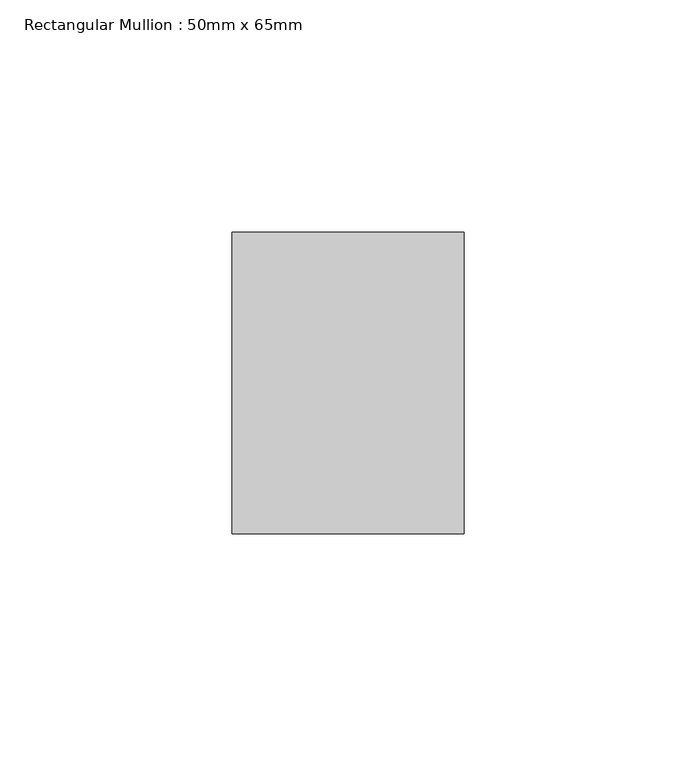
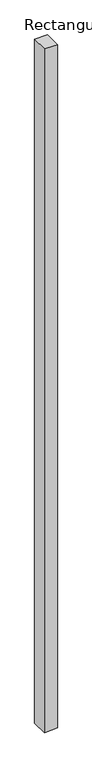
"""IFC4 building model written with IfcOpenShell, lengths in millimetres: member geometry, Rectangular Mullion : 50mm x 65mm."""

from ifc_helpers import new_model, si_unit, origin, place, context, project, spatial, faceted_brep, source, transform, mapped, element, save


def rectangular_mullion_50mm_x_65mm_f10df7cc(model_context):
    return source(origin(), model_context, "Body", "Brep", [
        faceted_brep([(25.0, 32.5, 0.0), (-25.0, 32.5, 0.0), (-25.0, -32.5, 0.0), (25.0, -32.5, 0.0), (25.0, 32.5, -2798.6397776), (-25.0, 32.5, -2800.986539), (-25.0, -32.5, -2799.1407894), (25.0, -32.5, -2796.794028)], [[[0, 1, 2, 3]], [[1, 0, 4, 5]], [[2, 1, 5, 6]], [[3, 2, 6, 7]], [[0, 3, 7, 4]], [[4, 7, 6, 5]]]),
    ])


if __name__ == "__main__":
    model = new_model("IFC4")
    model_context = context("Model", 3, world=origin())
    ifc_project = project(units=[si_unit("LENGTHUNIT", "METRE", prefix="MILLI")], contexts=[model_context])
    site = spatial("IfcSite", under=ifc_project)
    building = spatial("IfcBuilding", under=site)
    placement = place(None, origin())
    rectangular_mullion_50mm_x_65mm_shape = rectangular_mullion_50mm_x_65mm_f10df7cc(model_context)
    element("IfcMember", 1, ObjectType="Rectangular Mullion : 50mm x 65mm", at=placement, inside=building, context=model_context, shape_type="MappedRepresentation", body=[
        mapped(rectangular_mullion_50mm_x_65mm_shape, transform((0.0, 0.0, 0.0), x_axis=(1.0, 0.0, 0.0), y_axis=(0.0, 1.0, 0.0), z_axis=(0.0, 0.0, 1.0))),
    ])
    save(model, "model.ifc")
